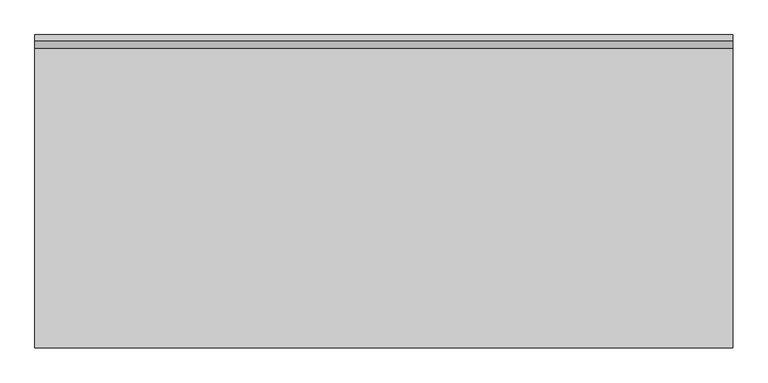
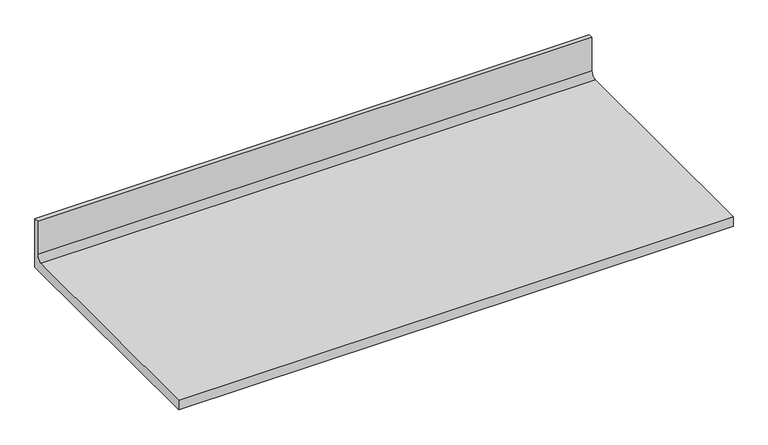
"""IFC4 building model written with IfcOpenShell, lengths in millimetres: furniture geometry."""

from ifc_helpers import new_model, si_unit, point, frame, frame_2d, origin, place, context, project, spatial, polyline, circle_curve, trimmed, segment, composite_curve, outline, extrude, source, transform, mapped, element, save


def furniture_5c8b6200(model_context):
    return source(origin(), model_context, "Body", "SweptSolid", [
        extrude(outline(composite_curve([segment(polyline([(0.0, 787.4), (-615.95, 787.4), (-615.95, 812.8), (-25.8191, 812.8)]), True, "CONTINUOUS"), segment(trimmed(circle_curve(frame_2d((-25.8191, 827.5066)), 14.7066), [point((-25.8191, 812.8))], [point((-11.1125, 827.5066))], True, "CARTESIAN"), True, "CONTINUOUS"), segment(polyline([(-11.1125, 827.5066), (-11.1125, 914.4), (0.0, 914.4), (0.0, 787.4)]), True, "CONTINUOUS")], self_intersect=False)), frame((0.0, 0.0, 0.0), z_axis=(1.0, 0.0, 0.0), x_axis=(0.0, 1.0, 0.0)), (0.0, 0.0, 1.0), 1371.6),
    ])


if __name__ == "__main__":
    model = new_model("IFC4")
    model_context = context("Model", 3, world=origin())
    ifc_project = project(units=[si_unit("LENGTHUNIT", "METRE", prefix="MILLI")], contexts=[model_context])
    site = spatial("IfcSite", under=ifc_project)
    building = spatial("IfcBuilding", under=site)
    placement = place(None, origin())
    furniture_shape = furniture_5c8b6200(model_context)
    element("IfcFurniture", 1, at=placement, inside=building, context=model_context, shape_type="MappedRepresentation", body=[
        mapped(furniture_shape, transform((0.0, 0.0, 0.0), x_axis=(1.0, 0.0, 0.0), y_axis=(0.0, 1.0, 0.0), z_axis=(0.0, 0.0, 1.0))),
    ])
    save(model, "model.ifc")
